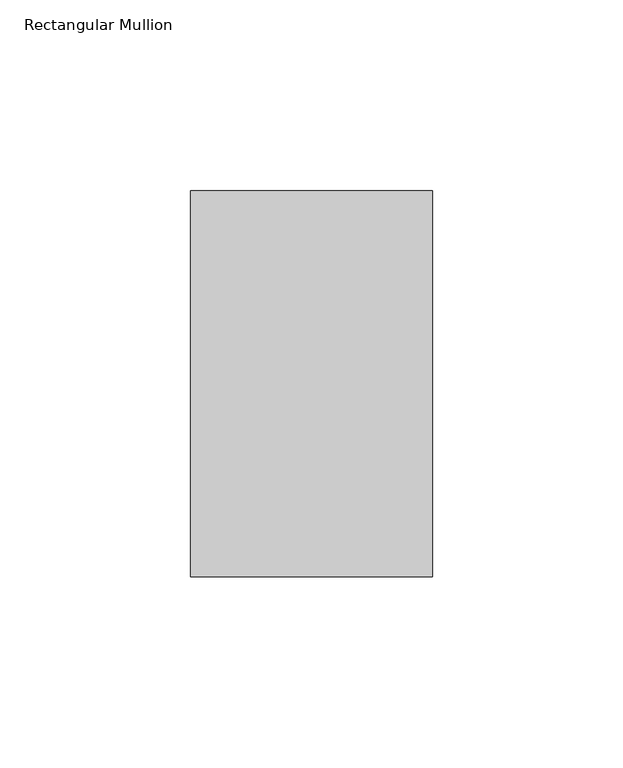
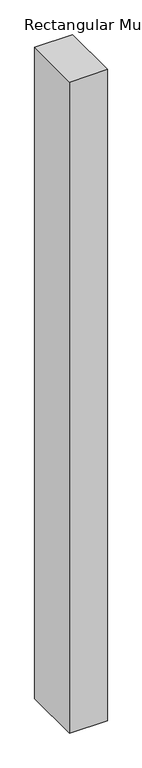
"""IFC4 building model written with IfcOpenShell, lengths in millimetres: member geometry, Rectangular Mullion."""

from ifc_helpers import new_model, si_unit, frame, origin, place, context, project, spatial, polyline, outline, extrude, source, transform, mapped, element, save


def rectangular_mullion_326f224f(model_context):
    return source(origin(), model_context, "Body", "SweptSolid", [
        extrude(outline(polyline([(31.75, 56.6539062), (-31.75, 56.6539062), (-31.75, 157.8475062), (31.75, 157.8475062), (31.75, 56.6539062)])), frame((0.0, 0.0, -1155.7), z_axis=(0.0, 0.0, 1.0), x_axis=(1.0, 0.0, 0.0)), (0.0, 0.0, 1.0), 1155.7),
    ])


if __name__ == "__main__":
    model = new_model("IFC4")
    model_context = context("Model", 3, world=origin())
    ifc_project = project(units=[si_unit("LENGTHUNIT", "METRE", prefix="MILLI")], contexts=[model_context])
    site = spatial("IfcSite", under=ifc_project)
    building = spatial("IfcBuilding", under=site)
    placement = place(None, origin())
    rectangular_mullion_shape = rectangular_mullion_326f224f(model_context)
    element("IfcMember", 1, ObjectType="Rectangular Mullion", at=placement, inside=building, context=model_context, shape_type="MappedRepresentation", body=[
        mapped(rectangular_mullion_shape, transform((0.0, 0.0, 0.0), x_axis=(1.0, 0.0, 0.0), y_axis=(0.0, 1.0, 0.0), z_axis=(0.0, 0.0, 1.0))),
    ])
    save(model, "model.ifc")
